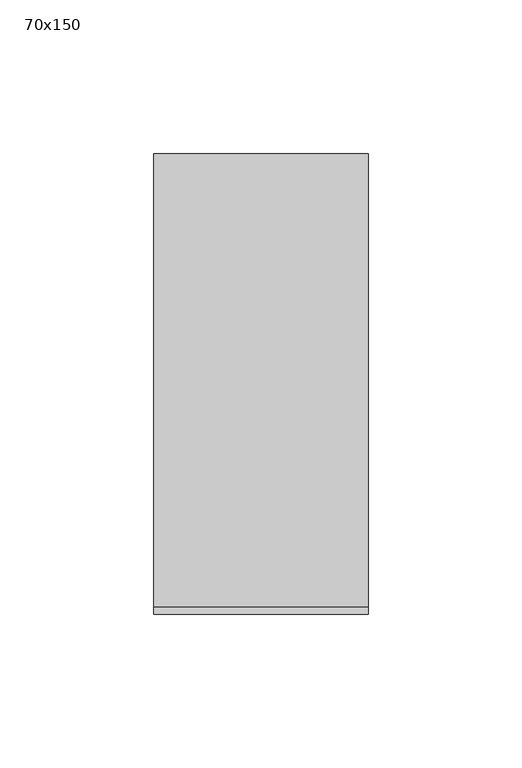
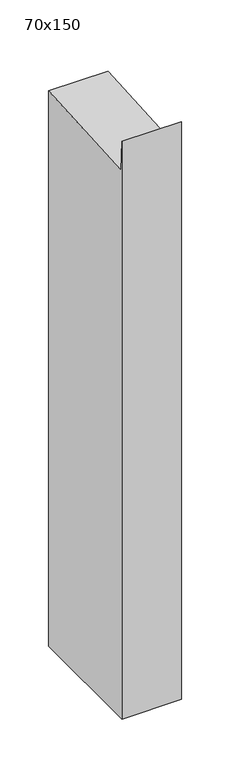
"""IFC4 building model written with IfcOpenShell, lengths in millimetres: member geometry, 70x150."""

from ifc_helpers import new_model, si_unit, frame, origin, place, context, project, spatial, polyline, outline, extrude, source, transform, mapped, element, save


def member_70x150_9ac4fcb9(model_context):
    return source(origin(), model_context, "Body", "SweptSolid", [
        extrude(outline(polyline([(-75.0, 32.5670767), (-72.5739814, -4.787149), (75.0, 4.7972345), (75.0, -688.7165361), (-75.0, -688.7165361), (-75.0, 32.5670767)])), frame((-70.0, 0.0, 0.0), z_axis=(1.0, 0.0, 0.0), x_axis=(0.0, 1.0, 0.0)), (0.0, 0.0, 1.0), 70.0),
    ])


if __name__ == "__main__":
    model = new_model("IFC4")
    model_context = context("Model", 3, world=origin())
    ifc_project = project(units=[si_unit("LENGTHUNIT", "METRE", prefix="MILLI")], contexts=[model_context])
    site = spatial("IfcSite", under=ifc_project)
    building = spatial("IfcBuilding", under=site)
    placement = place(None, origin())
    member_70x150_shape = member_70x150_9ac4fcb9(model_context)
    element("IfcMember", 1, ObjectType="70x150", at=placement, inside=building, context=model_context, shape_type="MappedRepresentation", body=[
        mapped(member_70x150_shape, transform((0.0, 0.0, 0.0), x_axis=(1.0, 0.0, 0.0), y_axis=(0.0, 1.0, 0.0), z_axis=(0.0, 0.0, 1.0))),
    ])
    save(model, "model.ifc")
